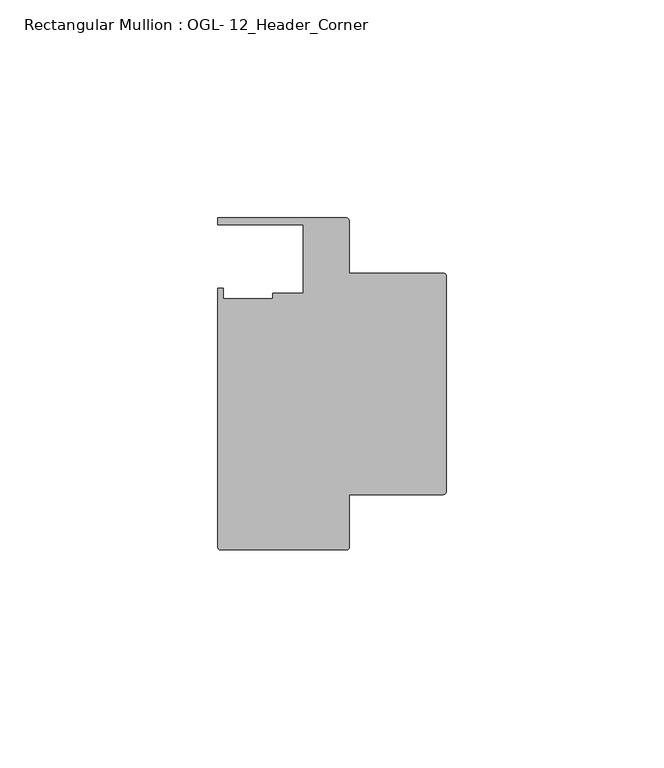
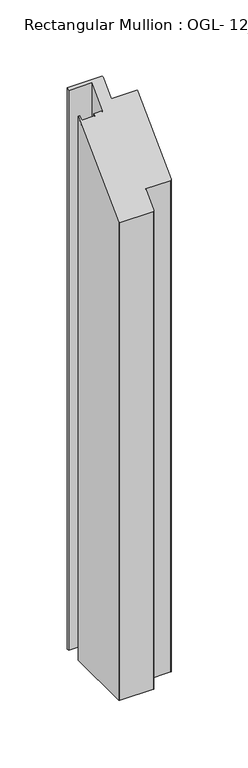
"""IFC4 building model written with IfcOpenShell, lengths in millimetres: member geometry, Rectangular Mullion : OGL- 12_Header_Corner."""

from ifc_helpers import new_model, si_unit, frame, origin, place, context, project, spatial, circle_curve, ellipse_curve, source, transform, mapped, element, save
from ifc_brep_helpers import plane_surface, cylinder_surface, advanced_brep


def rectangular_mullion_ogl_12_header_corner_830afd6b(model_context):
    return source(origin(), model_context, "Body", "AdvancedBrep", [
        advanced_brep(
        [(-0.5953125, -55.5625, -500.0378848), (-22.2332898, -55.5625, -500.0378848), (-22.2332898, -67.6668667, -500.0378848), (-22.8286023, -68.2621792, -500.0378848), (-51.7968699, -68.2621792, -500.0378848), (-52.3921824, -67.6668667, -500.0378848), (-52.3921824, -8.1914024, -500.0378848), (-51.1362531, -8.1914024, -500.0378848), (-51.1362531, -10.6800725, -500.0378848), (-39.7567771, -10.6800725, -500.0378848), (-39.7567771, -9.3367652, -500.0378848), (-32.730302, -9.3367652, -500.0378848), (-32.730302, 6.350016, -500.0378848), (-52.3830881, 6.350016, -500.0378848), (-52.3830881, 7.937516, -500.0378848), (-22.8763468, 7.937516, -500.0378848), (-22.2332898, 7.294459, -500.0378848), (-22.2332898, -4.7625, -500.0378848), (-0.5953125, -4.7625, -500.0378848), (0.0, -5.3578125, -500.0378848), (0.0, -54.9671875, -500.0378848), (0.0, -54.9671875, -54.9671875), (-0.5953125, -55.5625, -55.5625), (0.0, -5.3578125, -5.3578125), (-22.2332898, -4.7625, -4.7625), (-0.5953125, -4.7625, -4.7625), (-22.2332898, 7.294459, 7.294459), (-52.3830881, 7.937516, 7.937516), (-22.8763468, 7.937516, 7.937516), (-52.3830881, 6.350016, 6.350016), (-32.730302, 6.350016, 6.350016), (-32.730302, -9.3367652, -9.3367652), (-39.7567771, -9.3367652, -9.3367652), (-39.7567771, -10.6800725, -10.6800725), (-51.1362531, -10.6800725, -10.6800725), (-51.1362531, -8.1914024, -8.1914024), (-52.3921824, -8.1914024, -8.1914024), (-52.3921824, -67.6668667, -67.6668667), (-22.8286023, -68.2621792, -68.2621792), (-51.7968699, -68.2621792, -68.2621792), (-22.2332898, -55.5625, -55.5625), (-22.2332898, -67.6668667, -67.6668667)],
        [
            (0, 1),
            (1, 2),
            (2, 3, circle_curve(frame((-22.8286023, -67.6668667, -500.0378848), z_axis=(0.0, 0.0, -1.0), x_axis=(1.0, 0.0, 0.0)), 0.5953125)),
            (3, 4),
            (4, 5, circle_curve(frame((-51.7968699, -67.6668667, -500.0378848), z_axis=(0.0, 0.0, -1.0), x_axis=(1.0, 0.0, 0.0)), 0.5953125)),
            (5, 6),
            (6, 7),
            (7, 8),
            (8, 9),
            (9, 10),
            (10, 11),
            (11, 12),
            (12, 13),
            (13, 14),
            (14, 15),
            (15, 16, circle_curve(frame((-22.8763468, 7.294459, -500.0378848), z_axis=(0.0, 0.0, -1.0), x_axis=(1.0, 0.0, 0.0)), 0.643057)),
            (16, 17),
            (17, 18),
            (18, 19, circle_curve(frame((-0.5953125, -5.3578125, -500.0378848), z_axis=(0.0, 0.0, -1.0), x_axis=(1.0, 0.0, 0.0)), 0.5953125)),
            (19, 20),
            (20, 0, circle_curve(frame((-0.5953125, -54.9671875, -500.0378848), z_axis=(0.0, 0.0, -1.0), x_axis=(0.0, -1.0, 0.0)), 0.5953125)),
            (21, 22, ellipse_curve(frame((-0.5953125, -54.9671875, -54.9671875), z_axis=(0.0, 0.7071067811865455, -0.7071067811865497), x_axis=(0.0, 0.7071067811865497, 0.7071067811865454)), 0.841899, 0.5953125)),
            (22, 0),
            (20, 21),
            (23, 21),
            (19, 23),
            (24, 25),
            (25, 18),
            (17, 24),
            (26, 24),
            (16, 26),
            (27, 28),
            (28, 15),
            (14, 27),
            (29, 27),
            (13, 29),
            (30, 29),
            (12, 30),
            (31, 30),
            (11, 31),
            (32, 31),
            (10, 32),
            (33, 32),
            (9, 33),
            (34, 33),
            (8, 34),
            (35, 34),
            (7, 35),
            (36, 35),
            (6, 36),
            (37, 36),
            (5, 37),
            (38, 39),
            (39, 4),
            (3, 38),
            (40, 41),
            (41, 2),
            (1, 40),
            (22, 40),
            (23, 25, ellipse_curve(frame((-0.5953125, -5.3578125, -5.3578125), z_axis=(0.0, -0.7071067811865455, 0.7071067811865497), x_axis=(0.0, 0.7071067811865497, 0.7071067811865454)), 0.841899, 0.5953125)),
            (26, 28, ellipse_curve(frame((-22.8763468, 7.294459, 7.294459), z_axis=(0.0, -0.7071067811865455, 0.7071067811865497), x_axis=(0.0, 0.7071067811865497, 0.7071067811865454)), 0.9094199, 0.643057)),
            (37, 39, ellipse_curve(frame((-51.7968699, -67.6668667, -67.6668667), z_axis=(0.0, -0.7071067811865455, 0.7071067811865497), x_axis=(0.0, 0.7071067811865497, 0.7071067811865454)), 0.841899, 0.5953125)),
            (38, 41, ellipse_curve(frame((-22.8286023, -67.6668667, -67.6668667), z_axis=(0.0, -0.7071067811865455, 0.7071067811865497), x_axis=(0.0, 0.7071067811865497, 0.7071067811865454)), 0.841899, 0.5953125)),
        ],
        [
            plane_surface(frame((0.0, -85.8058936, -500.0378848), z_axis=(0.0, 0.0, -1.0), x_axis=(-1.0, 0.0, 0.0))),
            cylinder_surface(frame((-0.5953125, -54.9671875, 0.0), z_axis=(0.0, 0.0, 1.0), x_axis=(0.0, -1.0, 0.0)), 0.5953125),
            plane_surface(frame((0.0, -54.9671875, 0.0), z_axis=(1.0, 0.0, 0.0), x_axis=(0.0, 0.0, -1.0))),
            plane_surface(frame((-0.5953125, -4.7625, 0.0), z_axis=(0.0, 1.0, 0.0), x_axis=(0.0, 0.0, -1.0))),
            plane_surface(frame((-22.2332898, -4.7625, 0.0), z_axis=(1.0, 0.0, 0.0), x_axis=(0.0, 0.0, -1.0))),
            plane_surface(frame((-22.8763468, 7.937516, 0.0), z_axis=(0.0, 1.0, 0.0), x_axis=(0.0, 0.0, -1.0))),
            plane_surface(frame((-52.3830881, 7.937516, 0.0), z_axis=(-1.0, 0.0, 0.0), x_axis=(0.0, 0.0, -1.0))),
            plane_surface(frame((-52.3830881, 6.350016, 0.0), z_axis=(0.0, -1.0, 0.0), x_axis=(0.0, 0.0, -1.0))),
            plane_surface(frame((-32.730302, 6.350016, 0.0), z_axis=(-1.0, 0.0, 0.0), x_axis=(0.0, 0.0, -1.0))),
            plane_surface(frame((-32.730302, -9.3367652, 0.0), z_axis=(0.0, 1.0, 0.0), x_axis=(0.0, 0.0, -1.0))),
            plane_surface(frame((-39.7567771, -9.3367652, 0.0), z_axis=(-1.0, 0.0, 0.0), x_axis=(0.0, 0.0, -1.0))),
            plane_surface(frame((-39.7567771, -10.6800725, 0.0), z_axis=(0.0, 1.0, 0.0), x_axis=(0.0, 0.0, -1.0))),
            plane_surface(frame((-51.1362531, -10.6800725, 0.0), z_axis=(1.0, 0.0, 0.0), x_axis=(0.0, 0.0, -1.0))),
            plane_surface(frame((-51.1362531, -8.1914024, 0.0), z_axis=(0.0, 1.0, 0.0), x_axis=(0.0, 0.0, -1.0))),
            plane_surface(frame((-52.3921824, -8.1914024, 0.0), z_axis=(-1.0, 0.0, 0.0), x_axis=(0.0, 0.0, -1.0))),
            plane_surface(frame((-51.7968699, -68.2621792, 0.0), z_axis=(0.0, -1.0, 0.0), x_axis=(0.0, 0.0, -1.0))),
            plane_surface(frame((-22.2332898, -67.6668667, 0.0), z_axis=(1.0, 0.0, 0.0), x_axis=(0.0, 0.0, -1.0))),
            plane_surface(frame((-22.2332898, -55.5625, 0.0), z_axis=(0.0, -1.0, 0.0), x_axis=(0.0, 0.0, -1.0))),
            plane_surface(frame((304.8, 0.0, 0.0), z_axis=(0.0, -0.7071067811865455, 0.7071067811865497), x_axis=(0.0, -0.7071067811865497, -0.7071067811865455))),
            cylinder_surface(frame((-22.8763468, 7.294459, 0.0), z_axis=(0.0, 0.0, 1.0), x_axis=(1.0, 0.0, 0.0)), 0.643057),
            cylinder_surface(frame((-22.8286023, -67.6668667, 0.0), z_axis=(0.0, 0.0, 1.0), x_axis=(1.0, 0.0, 0.0)), 0.5953125),
            cylinder_surface(frame((-0.5953125, -5.3578125, 0.0), z_axis=(0.0, 0.0, 1.0), x_axis=(1.0, 0.0, 0.0)), 0.5953125),
            cylinder_surface(frame((-51.7968699, -67.6668667, 0.0), z_axis=(0.0, 0.0, 1.0), x_axis=(1.0, 0.0, 0.0)), 0.5953125),
        ],
        [
            (0, [[1, 2, 3, 4, 5, 6, 7, 8, 9, 10, 11, 12, 13, 14, 15, 16, 17, 18, 19, 20, 21]]),
            (1, [[22, 23, -21, 24]]),
            (2, [[25, -24, -20, 26]]),
            (3, [[27, 28, -18, 29]]),
            (4, [[30, -29, -17, 31]]),
            (5, [[32, 33, -15, 34]]),
            (6, [[35, -34, -14, 36]]),
            (7, [[37, -36, -13, 38]]),
            (8, [[39, -38, -12, 40]]),
            (9, [[41, -40, -11, 42]]),
            (10, [[43, -42, -10, 44]]),
            (11, [[45, -44, -9, 46]]),
            (12, [[47, -46, -8, 48]]),
            (13, [[49, -48, -7, 50]]),
            (14, [[51, -50, -6, 52]]),
            (15, [[53, 54, -4, 55]]),
            (16, [[56, 57, -2, 58]]),
            (17, [[59, -58, -1, -23]]),
            (18, [[-22, -25, 60, -27, -30, 61, -32, -35, -37, -39, -41, -43, -45, -47, -49, -51, 62, -53, 63, -56, -59]]),
            (19, [[-61, -31, -16, -33]]),
            (20, [[-63, -55, -3, -57]]),
            (21, [[-60, -26, -19, -28]]),
            (22, [[-62, -52, -5, -54]]),
        ],
    ),
    ])


if __name__ == "__main__":
    model = new_model("IFC4")
    model_context = context("Model", 3, world=origin())
    ifc_project = project(units=[si_unit("LENGTHUNIT", "METRE", prefix="MILLI")], contexts=[model_context])
    site = spatial("IfcSite", under=ifc_project)
    building = spatial("IfcBuilding", under=site)
    placement = place(None, origin())
    rectangular_mullion_ogl_12_header_corner_shape = rectangular_mullion_ogl_12_header_corner_830afd6b(model_context)
    element("IfcMember", 1, ObjectType="Rectangular Mullion : OGL- 12_Header_Corner", at=placement, inside=building, context=model_context, shape_type="MappedRepresentation", body=[
        mapped(rectangular_mullion_ogl_12_header_corner_shape, transform((0.0, 0.0, 0.0), x_axis=(1.0, 0.0, 0.0), y_axis=(0.0, 1.0, 0.0), z_axis=(0.0, 0.0, 1.0))),
    ])
    save(model, "model.ifc")
